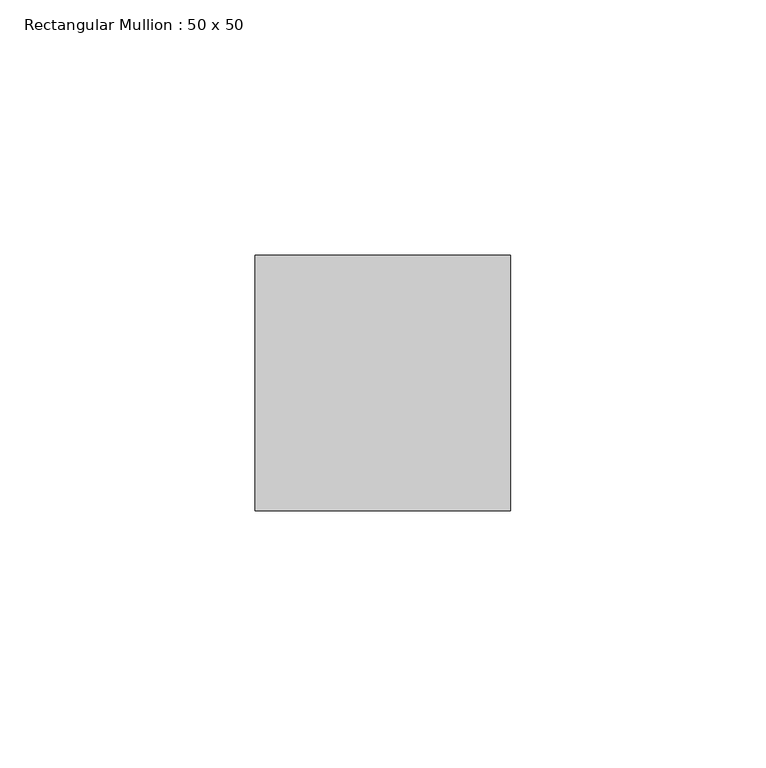
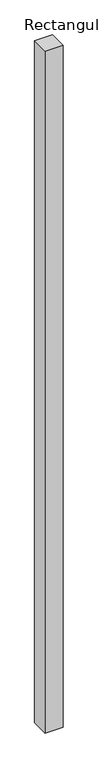
"""IFC4 building model written with IfcOpenShell, lengths in millimetres: member geometry, Rectangular Mullion : 50 x 50."""

from ifc_helpers import new_model, si_unit, frame, origin, place, context, project, spatial, polyline, outline, extrude, source, transform, mapped, element, save


def rectangular_mullion_50_x_50_4a7165f9(model_context):
    return source(origin(), model_context, "Body", "SweptSolid", [
        extrude(outline(polyline([(25.0, 25.0), (25.0, -25.0), (-25.0, -25.0), (-25.0, 25.0), (25.0, 25.0)])), frame((0.0, 0.0, -1999.9050214), z_axis=(0.0, 0.0, 1.0), x_axis=(1.0, 0.0, 0.0)), (0.0, 0.0, 1.0), 1999.9050214),
    ])


if __name__ == "__main__":
    model = new_model("IFC4")
    model_context = context("Model", 3, world=origin())
    ifc_project = project(units=[si_unit("LENGTHUNIT", "METRE", prefix="MILLI")], contexts=[model_context])
    site = spatial("IfcSite", under=ifc_project)
    building = spatial("IfcBuilding", under=site)
    placement = place(None, origin())
    rectangular_mullion_50_x_50_shape = rectangular_mullion_50_x_50_4a7165f9(model_context)
    element("IfcMember", 1, ObjectType="Rectangular Mullion : 50 x 50", at=placement, inside=building, context=model_context, shape_type="MappedRepresentation", body=[
        mapped(rectangular_mullion_50_x_50_shape, transform((0.0, 0.0, 0.0), x_axis=(1.0, 0.0, 0.0), y_axis=(0.0, 1.0, 0.0), z_axis=(0.0, 0.0, 1.0))),
    ])
    save(model, "model.ifc")
